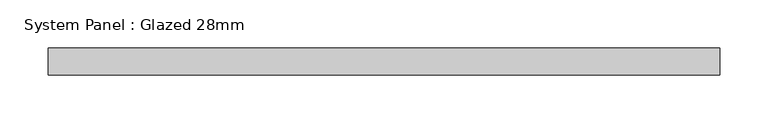
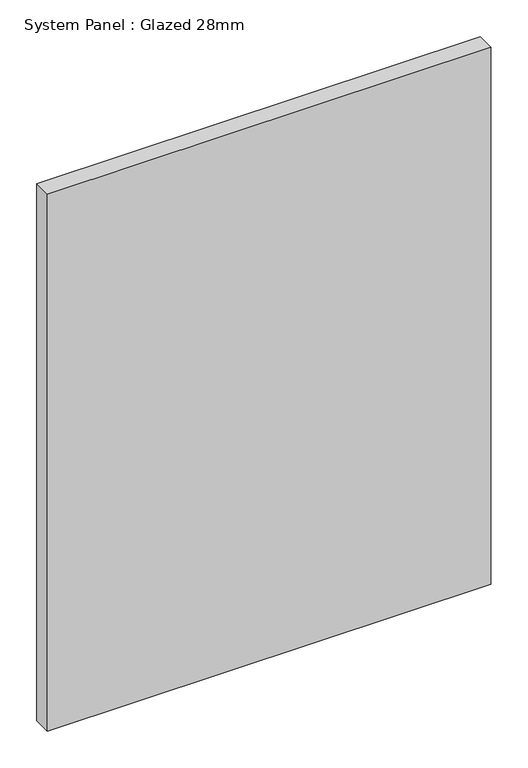
"""IFC4 building model written with IfcOpenShell, lengths in millimetres: plate geometry, System Panel : Glazed 28mm."""

from ifc_helpers import new_model, si_unit, origin, origin_with_axes, place, context, project, spatial, polyline, outline, extrude, source, transform, mapped, element, save


def system_panel_glazed_28mm_4de3ea36(model_context):
    return source(origin(), model_context, "Body", "SweptSolid", [
        extrude(outline(polyline([(346.7808019, -14.0), (-346.7808019, -14.0), (-346.7808019, 14.0), (346.7808019, 14.0), (346.7808019, -14.0)])), origin_with_axes(), (0.0, 0.0, 1.0), 887.6880289),
    ])


if __name__ == "__main__":
    model = new_model("IFC4")
    model_context = context("Model", 3, world=origin())
    ifc_project = project(units=[si_unit("LENGTHUNIT", "METRE", prefix="MILLI")], contexts=[model_context])
    site = spatial("IfcSite", under=ifc_project)
    building = spatial("IfcBuilding", under=site)
    placement = place(None, origin())
    system_panel_glazed_28mm_shape = system_panel_glazed_28mm_4de3ea36(model_context)
    element("IfcPlate", 1, ObjectType="System Panel : Glazed 28mm", at=placement, inside=building, context=model_context, shape_type="MappedRepresentation", body=[
        mapped(system_panel_glazed_28mm_shape, transform((0.0, 0.0, 0.0), x_axis=(1.0, 0.0, 0.0), y_axis=(0.0, 1.0, 0.0), z_axis=(0.0, 0.0, 1.0))),
    ])
    save(model, "model.ifc")
